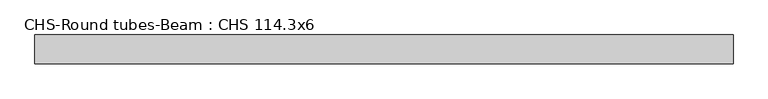
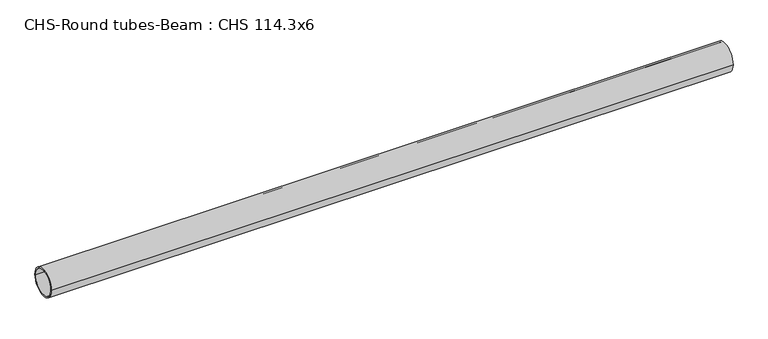
"""IFC4 building model written with IfcOpenShell, lengths in millimetres: beam geometry, CHS-Round tubes-Beam : CHS 114.3x6."""

import ifcopenshell
import ifcopenshell.guid

model = None  # the IFC model being written
_history = None  # IfcOwnerHistory: only IFC2X3 demands one
_inside = {}  # id of a spatial element -> (the spatial element, [elements in it])
_under = {}  # id of a project, library or spatial element -> (it, [spatial elements below it])
_declared = {}  # id of a project -> (the project, [libraries it declares])
_typed = {}  # id of a type object -> (the type object, [elements of that type])
_made_of = {}  # id of a material, layer set ... -> (it, [elements and type objects made of it])


def new_model(schema):
    """Start an empty IFC model of exactly this schema.

    Asked for "IFC4X3", IfcOpenShell would pick the latest addendum, in which some entities
    have other attributes; the version numbers below select the first issue.
    IFC2X3 requires an IfcOwnerHistory on every rooted entity: one is made here for all.
    """
    global model, _history
    if schema == "IFC4X3":
        model = ifcopenshell.file(schema_version=(4, 3, 0, 0))
    else:
        model = ifcopenshell.file(schema=schema)
    _inside.clear()
    _under.clear()
    _declared.clear()
    _typed.clear()
    _made_of.clear()
    _history = None
    if model.schema == "IFC2X3":
        org = make("IfcOrganization", Name="unknown")
        user = make(
            "IfcPersonAndOrganization",
            ThePerson=make("IfcPerson", FamilyName="unknown"),
            TheOrganization=org,
        )
        app = make(
            "IfcApplication",
            ApplicationDeveloper=org,
            Version="unknown",
            ApplicationFullName="unknown",
            ApplicationIdentifier="unknown",
        )
        _history = make(
            "IfcOwnerHistory",
            OwningUser=user,
            OwningApplication=app,
            ChangeAction="ADDED",
            CreationDate=0,
        )
    return model


def make(cls, **values):
    """One entity of the class cls with the attributes given. An attribute that is None is left unset."""
    return model.create_entity(
        cls, **{name: value for name, value in values.items() if value is not None}
    )


def rooted(cls, **values):
    """An entity with a GlobalId (a new one), such as an element, a storey or a relation."""
    return make(cls, GlobalId=ifcopenshell.guid.new(), OwnerHistory=_history, **values)


def si_unit(unit_type, name, prefix=None):
    """IfcSIUnit, for example si_unit("LENGTHUNIT", "METRE", prefix="MILLI")."""
    return make("IfcSIUnit", UnitType=unit_type, Prefix=prefix, Name=name)


def assignment(units):
    """IfcUnitAssignment: the units of a project."""
    return None if units is None else make("IfcUnitAssignment", Units=units)


def point(xyz):
    """IfcCartesianPoint."""
    return None if xyz is None else make("IfcCartesianPoint", Coordinates=xyz)


def direction(xyz):
    """IfcDirection."""
    return None if xyz is None else make("IfcDirection", DirectionRatios=xyz)


def frame(location, z_axis=None, x_axis=None):
    """IfcAxis2Placement3D, a coordinate frame: its origin and axes. An axis left out is left unset."""
    return make(
        "IfcAxis2Placement3D",
        Location=point(location),
        Axis=direction(z_axis),
        RefDirection=direction(x_axis),
    )


def frame_2d(location, x_axis=None):
    """IfcAxis2Placement2D, a coordinate frame in the plane: its origin and x axis."""
    return make(
        "IfcAxis2Placement2D", Location=point(location), RefDirection=direction(x_axis)
    )


def origin():
    """The frame at (0, 0, 0) with its axes left unset."""
    return frame((0.0, 0.0, 0.0))


def origin_2d():
    """The frame at (0, 0) in the plane with its x axis left unset."""
    return frame_2d((0.0, 0.0))


def place(relative_to, where):
    """IfcLocalPlacement: puts the frame where relative to a parent placement (None: the world)."""
    return make(
        "IfcLocalPlacement", PlacementRelTo=relative_to, RelativePlacement=where
    )


def context(
    kind, dimensions, precision=None, world=None, true_north=None, identifier=None
):
    """IfcGeometricRepresentationContext, for example the 3D "Model" context."""
    return make(
        "IfcGeometricRepresentationContext",
        ContextIdentifier=identifier,
        ContextType=kind,
        CoordinateSpaceDimension=dimensions,
        Precision=precision,
        WorldCoordinateSystem=world,
        TrueNorth=true_north,
    )


def project(units=None, contexts=None):
    """IfcProject with its units and contexts."""
    return rooted(
        "IfcProject",
        Name="project",
        RepresentationContexts=contexts,
        UnitsInContext=assignment(units),
    )


def spatial(cls, under=None, at=None, **own):
    """A site, building, storey or space (cls), placed at a placement, below another one or the project."""
    s = rooted(cls, ObjectPlacement=at, **own)
    if under is not None:
        _under.setdefault(under.id(), (under, []))[1].append(s)
    return s


def circle_curve(where, radius):
    """IfcCircle in the frame where."""
    return make("IfcCircle", Position=where, Radius=radius)


def trimmed(basis, trim1, trim2, sense, master):
    """IfcTrimmedCurve: the piece of a basis curve between two trims."""
    return make(
        "IfcTrimmedCurve",
        BasisCurve=basis,
        Trim1=trim1,
        Trim2=trim2,
        SenseAgreement=sense,
        MasterRepresentation=master,
    )


def segment(curve, same_sense, transition):
    """IfcCompositeCurveSegment."""
    return make(
        "IfcCompositeCurveSegment",
        Transition=transition,
        SameSense=same_sense,
        ParentCurve=curve,
    )


def composite_curve(segments, self_intersect=None):
    """IfcCompositeCurve: segments joined end to end."""
    return make("IfcCompositeCurve", Segments=segments, SelfIntersect=self_intersect)


def outline(outer, holes=None, kind="AREA"):
    """IfcArbitraryClosedProfileDef: a profile drawn as a closed curve; with holes, ...WithVoids."""
    if holes is None:
        return make("IfcArbitraryClosedProfileDef", ProfileType=kind, OuterCurve=outer)
    return make(
        "IfcArbitraryProfileDefWithVoids",
        ProfileType=kind,
        OuterCurve=outer,
        InnerCurves=holes,
    )


def extrude(swept, where, along, depth):
    """IfcExtrudedAreaSolid: the profile swept, set in the frame where, extruded along a direction by depth."""
    return make(
        "IfcExtrudedAreaSolid",
        SweptArea=swept,
        Position=where,
        ExtrudedDirection=direction(along),
        Depth=depth,
    )


def shape(context_of_items, identifier, shape_type, items):
    """IfcShapeRepresentation: the items that make up one representation, for example the "Body"."""
    return make(
        "IfcShapeRepresentation",
        ContextOfItems=context_of_items,
        RepresentationIdentifier=identifier,
        RepresentationType=shape_type,
        Items=items,
    )


def source(mapping_origin, context_of_items, identifier, shape_type, items):
    """IfcRepresentationMap: a shape defined once, which mapped items show again and again."""
    return make(
        "IfcRepresentationMap",
        MappingOrigin=mapping_origin,
        MappedRepresentation=shape(context_of_items, identifier, shape_type, items),
    )


def transform(
    local_origin,
    x_axis=None,
    y_axis=None,
    z_axis=None,
    scale=None,
    scale2=None,
    scale3=None,
    uniform=True,
):
    """IfcCartesianTransformationOperator3D, or its non-uniform kind. x_axis, y_axis, z_axis: its Axis1, 2, 3."""
    if uniform:
        return make(
            "IfcCartesianTransformationOperator3D",
            Axis1=direction(x_axis),
            Axis2=direction(y_axis),
            LocalOrigin=point(local_origin),
            Scale=scale,
            Axis3=direction(z_axis),
        )
    return make(
        "IfcCartesianTransformationOperator3DnonUniform",
        Axis1=direction(x_axis),
        Axis2=direction(y_axis),
        LocalOrigin=point(local_origin),
        Scale=scale,
        Axis3=direction(z_axis),
        Scale2=scale2,
        Scale3=scale3,
    )


def mapped(mapping_source, mapping_target):
    """IfcMappedItem: shows the shape of a source again, moved by a transform."""
    return make(
        "IfcMappedItem", MappingSource=mapping_source, MappingTarget=mapping_target
    )


def made_of(thing, what):
    """Note that an element or type object is made of a material, layer set ...; save() writes the relation."""
    if what is not None:
        _made_of.setdefault(what.id(), (what, []))[1].append(thing)
    return thing


def element(
    cls,
    number,
    at=None,
    inside=None,
    cuts=None,
    type_object=None,
    material=None,
    context=None,
    identifier="Body",
    shape_type=None,
    held_by="IfcProductDefinitionShape",
    body=None,
    shapes=None,
    **own,
):
    """One element of the class cls, such as IfcWall. Its Tag is "e" and its number.

    at: its placement. inside: the storey or other place that contains it. cuts: it is an
    opening in that element (IfcRelVoidsElement). A single representation is given by context,
    identifier, shape_type and body (its items); several are given by shapes. held_by: the class
    of the entity that holds the representations. save() writes the other relations.
    """
    e = rooted(cls, Tag="e%d" % number, ObjectPlacement=at, **own)
    if body is not None:
        shapes = [shape(context, identifier, shape_type, body)]
    if shapes is not None:
        e.Representation = make(held_by, Representations=shapes)
    if inside is not None:
        _inside.setdefault(inside.id(), (inside, []))[1].append(e)
    if cuts is not None:
        rooted(
            "IfcRelVoidsElement", RelatingBuildingElement=cuts, RelatedOpeningElement=e
        )
    if type_object is not None:
        _typed.setdefault(type_object.id(), (type_object, []))[1].append(e)
    return made_of(e, material)


def aggregate(whole, parts):
    """IfcRelAggregates: a whole, such as a stair, and the parts it consists of."""
    return rooted("IfcRelAggregates", RelatingObject=whole, RelatedObjects=parts)


def save(model, path):
    """Write the relations noted so far, then the file.

    IfcRelAggregates (storeys below a building ...), IfcRelContainedInSpatialStructure (elements
    in a storey), IfcRelDefinesByType, IfcRelAssociatesMaterial and IfcRelDeclares: one each for
    every whole, place, type object, material and project.
    """
    for whole, parts in _under.values():
        aggregate(whole, parts)
    for where, things in _inside.values():
        rooted(
            "IfcRelContainedInSpatialStructure",
            RelatedElements=things,
            RelatingStructure=where,
        )
    for kind, things in _typed.values():
        rooted("IfcRelDefinesByType", RelatedObjects=things, RelatingType=kind)
    for what, things in _made_of.values():
        rooted("IfcRelAssociatesMaterial", RelatedObjects=things, RelatingMaterial=what)
    for by, libraries in _declared.values():
        rooted("IfcRelDeclares", RelatingContext=by, RelatedDefinitions=libraries)
    model.write(path)


def chs_round_tubes_beam_chs_114_3x6_278f81ca(model_context):
    return source(origin(), model_context, "Body", "SweptSolid", [
        extrude(outline(composite_curve([segment(trimmed(circle_curve(origin_2d(), 57.15), [point((57.15, 0.0))], [point((-57.15, 0.0))], False, "CARTESIAN"), True, "CONTINUOUS"), segment(trimmed(circle_curve(origin_2d(), 57.15), [point((-57.15, 0.0))], [point((57.15, 0.0))], False, "CARTESIAN"), True, "CONTINUOUS")], self_intersect=False), holes=[composite_curve([segment(trimmed(circle_curve(origin_2d(), 51.15), [point((51.15, 0.0))], [point((-51.15, 0.0))], True, "CARTESIAN"), True, "CONTINUOUS"), segment(trimmed(circle_curve(origin_2d(), 51.15), [point((-51.15, 0.0))], [point((51.15, 0.0))], True, "CARTESIAN"), True, "CONTINUOUS")], self_intersect=False)]), frame((-1291.3486071, 0.0, 0.0), z_axis=(1.0, 0.0, 0.0), x_axis=(0.0, 1.0, 0.0)), (0.0, 0.0, 1.0), 2745.2447955),
    ])


if __name__ == "__main__":
    model = new_model("IFC4")
    model_context = context("Model", 3, world=origin())
    ifc_project = project(units=[si_unit("LENGTHUNIT", "METRE", prefix="MILLI")], contexts=[model_context])
    site = spatial("IfcSite", under=ifc_project)
    building = spatial("IfcBuilding", under=site)
    placement = place(None, origin())
    chs_round_tubes_beam_chs_114_3x6_shape = chs_round_tubes_beam_chs_114_3x6_278f81ca(model_context)
    element("IfcBeam", 1, ObjectType="CHS-Round tubes-Beam : CHS 114.3x6", at=placement, inside=building, context=model_context, shape_type="MappedRepresentation", body=[
        mapped(chs_round_tubes_beam_chs_114_3x6_shape, transform((0.0, 0.0, 0.0), x_axis=(1.0, 0.0, 0.0), y_axis=(0.0, 1.0, 0.0), z_axis=(0.0, 0.0, 1.0))),
    ])
    save(model, "model.ifc")
